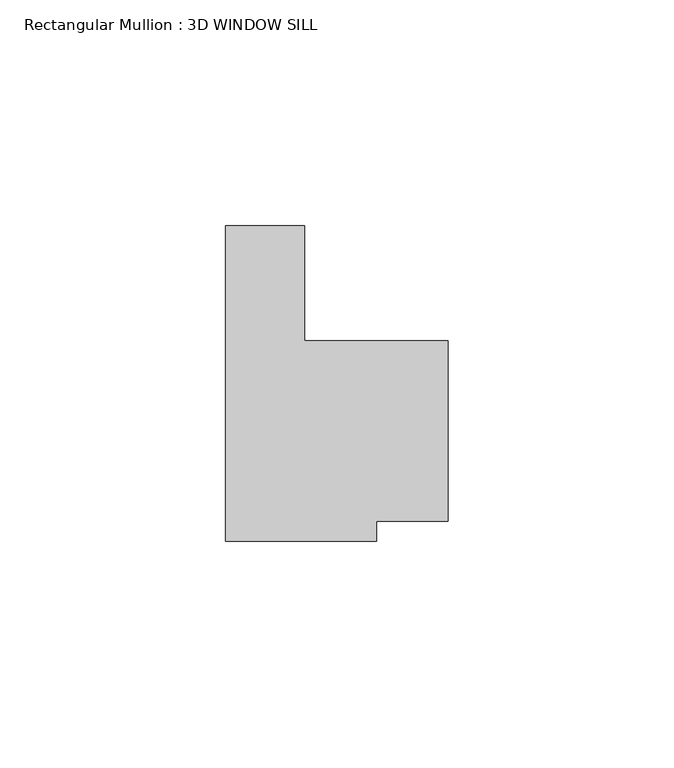
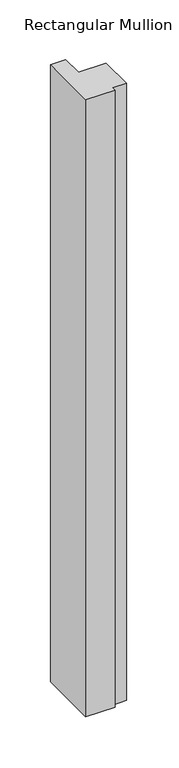
"""IFC4 building model written with IfcOpenShell, lengths in millimetres: member geometry, Rectangular Mullion : 3D WINDOW SILL."""

from ifc_helpers import new_model, si_unit, frame, origin, place, context, project, spatial, polyline, outline, extrude, source, transform, mapped, element, save


def rectangular_mullion_3d_window_sill_b9172a45(model_context):
    return source(origin(), model_context, "Body", "SweptSolid", [
        extrude(outline(polyline([(0.0, 17.4544775), (17.4752, 17.4544775), (17.4752, -7.9375), (49.22337, -7.9375), (49.22337, -47.9425), (33.3492795, -47.9425), (33.3492795, -52.3875), (0.0, -52.3875), (0.0, 17.4544775)])), frame((0.0, 0.0, -746.1032601), z_axis=(0.0, 0.0, 1.0), x_axis=(1.0, 0.0, 0.0)), (0.0, 0.0, 1.0), 746.1032601),
    ])


if __name__ == "__main__":
    model = new_model("IFC4")
    model_context = context("Model", 3, world=origin())
    ifc_project = project(units=[si_unit("LENGTHUNIT", "METRE", prefix="MILLI")], contexts=[model_context])
    site = spatial("IfcSite", under=ifc_project)
    building = spatial("IfcBuilding", under=site)
    placement = place(None, origin())
    rectangular_mullion_3d_window_sill_shape = rectangular_mullion_3d_window_sill_b9172a45(model_context)
    element("IfcMember", 1, ObjectType="Rectangular Mullion : 3D WINDOW SILL", at=placement, inside=building, context=model_context, shape_type="MappedRepresentation", body=[
        mapped(rectangular_mullion_3d_window_sill_shape, transform((0.0, 0.0, 0.0), x_axis=(1.0, 0.0, 0.0), y_axis=(0.0, 1.0, 0.0), z_axis=(0.0, 0.0, 1.0))),
    ])
    save(model, "model.ifc")
